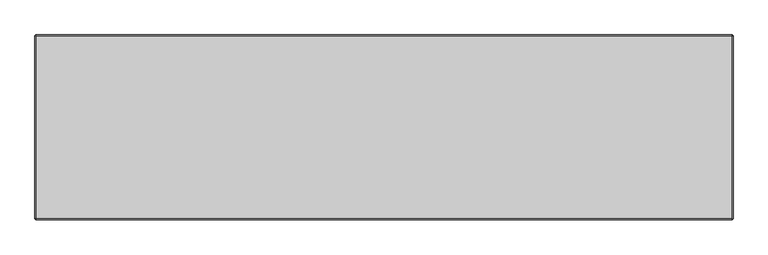
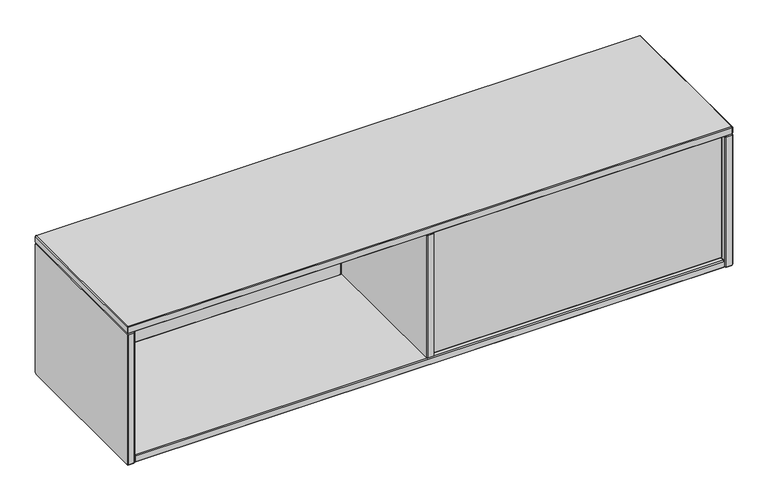
"""IFC4 building model written with IfcOpenShell, lengths in millimetres: furniture geometry."""

from ifc_helpers import new_model, si_unit, origin, place, context, project, spatial, faceted_brep, source, transform, mapped, element, save


def furniture_0f1e853c(model_context):
    return source(origin(), model_context, "Body", "Brep", [
        faceted_brep([(773.429997, -211.044618, 1077.0882749), (775.4620027, -209.0126123, 1077.9299592), (776.3093, -209.0126135, 1077.0826604), (775.4676165, -211.044618, 1075.0506555), (775.4676165, -226.2846087, 1075.0506555), (773.429997, -226.2846087, 1077.0882749), (776.3093008, -228.3166144, 1077.0826612), (775.4620019, -228.3166132, 1077.9299584), (1501.4344233, -209.0126135, 1077.08266), (1502.2761077, -211.044618, 1075.0506555), (1502.2761077, -226.2846087, 1075.0506555), (1501.4344233, -228.3166144, 1077.0826612), (1502.2830011, -209.0126135, 1077.9312373), (1504.315006, -211.044618, 1077.0895538), (1504.315006, -226.2846087, 1077.0895538), (1502.2830003, -228.3166144, 1077.9312381), (1502.2830014, -209.0126135, 1402.6848402), (1504.315006, -211.044618, 1403.5265245), (1504.315006, -226.2846087, 1403.5265245), (1502.2830003, -228.3166144, 1402.6848402), (1501.4357129, -209.0126135, 1403.5321292), (1502.2773964, -211.044618, 1405.5641341), (1502.2773964, -226.2846087, 1405.5641341), (1501.4357121, -228.3166144, 1403.5321284), (776.308012, -209.0126135, 1403.5321295), (775.4663277, -211.044618, 1405.5641341), (775.4663277, -226.2846087, 1405.5641341), (776.308012, -228.3166144, 1403.5321284), (775.4620019, -209.0126135, 1402.6861198), (773.429997, -211.044618, 1403.5278034), (773.429997, -226.2846087, 1403.5278034), (775.4620027, -228.3166144, 1402.686119)], [[[0, 1, 2, 3]], [[0, 3, 4, 5]], [[5, 4, 6, 7]], [[3, 2, 8, 9]], [[4, 3, 9, 10]], [[6, 4, 10, 11]], [[9, 8, 12, 13]], [[10, 9, 13, 14]], [[11, 10, 14, 15]], [[13, 12, 16, 17]], [[14, 13, 17, 18]], [[15, 14, 18, 19]], [[17, 16, 20, 21]], [[18, 17, 21, 22]], [[19, 18, 22, 23]], [[21, 20, 24, 25]], [[22, 21, 25, 26]], [[23, 22, 26, 27]], [[25, 24, 28, 29]], [[26, 25, 29, 30]], [[27, 26, 30, 31]], [[1, 0, 29, 28]], [[0, 5, 30, 29]], [[5, 7, 31, 30]], [[2, 1, 28, 24, 20, 16, 12, 8]], [[7, 6, 11, 15, 19, 23, 27, 31]]]),
        faceted_brep([(19.684994, 148.8452595, 1077.0882749), (21.7169997, 150.8772652, 1077.9299592), (22.5642978, 150.8772652, 1077.0826612), (21.7226135, 148.8452595, 1075.0506555), (21.7226135, 133.6052689, 1075.0506555), (19.684994, 133.6052689, 1077.0882749), (22.5642978, 131.5732632, 1077.0826612), (21.7169981, 131.5732654, 1077.9299576), (751.2454203, 150.8772652, 1077.0826612), (752.0871047, 148.8452595, 1075.0506555), (752.0871047, 133.6052689, 1075.0506555), (751.2454203, 131.5732632, 1077.0826612), (752.0939973, 150.8772652, 1077.9312381), (754.126003, 148.8452595, 1077.0895538), (754.126003, 133.6052689, 1077.0895538), (752.0939973, 131.5732632, 1077.9312381), (752.0939973, 150.8772652, 1402.6848402), (754.126003, 148.8452595, 1403.5265245), (754.126003, 133.6052689, 1403.5265245), (752.0939973, 131.5732632, 1402.6848402), (751.2467091, 150.8772652, 1403.5321284), (752.0883934, 148.8452595, 1405.5641341), (752.0883934, 133.6052689, 1405.5641341), (751.2467091, 131.5732632, 1403.5321284), (22.5630091, 150.8772652, 1403.5321284), (21.7213247, 148.8452595, 1405.5641341), (21.7213247, 133.6052689, 1405.5641341), (22.5630091, 131.5732632, 1403.5321284), (21.7169997, 150.8772652, 1402.686119), (19.684994, 148.8452595, 1403.5278034), (19.684994, 133.6052689, 1403.5278034), (21.7169997, 131.5732632, 1402.686119)], [[[0, 1, 2, 3]], [[0, 3, 4, 5]], [[5, 4, 6, 7]], [[3, 2, 8, 9]], [[4, 3, 9, 10]], [[6, 4, 10, 11]], [[9, 8, 12, 13]], [[10, 9, 13, 14]], [[11, 10, 14, 15]], [[13, 12, 16, 17]], [[14, 13, 17, 18]], [[15, 14, 18, 19]], [[17, 16, 20, 21]], [[18, 17, 21, 22]], [[19, 18, 22, 23]], [[21, 20, 24, 25]], [[22, 21, 25, 26]], [[23, 22, 26, 27]], [[25, 24, 28, 29]], [[26, 25, 29, 30]], [[27, 26, 30, 31]], [[1, 0, 29, 28]], [[0, 5, 30, 29]], [[5, 7, 31, 30]], [[2, 1, 28, 24, 20, 16, 12, 8]], [[7, 6, 11, 15, 19, 23, 27, 31]]]),
        faceted_brep([(0.381, 160.1899826, 1403.5321289), (0.381, 161.0359948, 1402.6861167), (0.381, 161.0359948, 1060.6585981), (0.381, 158.1641576, 1057.7805146), (0.381, -237.6617899, 1057.7773915), (0.381, -238.507861, 1058.6234626), (0.381, -238.5047378, 1402.6861258), (0.381, -237.6587347, 1403.5321289), (19.6849994, 161.035991, 1402.6861129), (19.6849994, 160.1899788, 1403.5321251), (19.6849994, -237.6587347, 1403.5321235), (19.6849994, -238.504734, 1402.686122), (19.6849994, -238.5047325, 1058.6265857), (19.6849994, -237.6649092, 1057.7805184), (19.6849994, 158.1610344, 1057.7773968), (19.6849994, 161.0391141, 1060.6554788), (2.4130052, 163.068, 1403.5278008), (2.4130052, 161.0316667, 1405.5641341), (17.6529888, 161.0316667, 1405.5641341), (17.6529888, 163.068, 1403.5278008), (2.4130052, -238.5004189, 1405.5641341), (17.6529888, -238.5004189, 1405.5641341), (2.4130052, -240.5367431, 1403.5278099), (17.6529888, -240.5367431, 1403.5278099), (2.4130052, -240.5367431, 1057.7786553), (17.6529888, -240.5367431, 1057.7786553), (2.4130052, -238.503474, 1055.7453862), (17.6529888, -238.503474, 1055.7453862), (2.4130052, 159.0027185, 1055.7453862), (17.6529888, 159.0027185, 1055.7453862), (2.4130052, 163.068, 1059.8106677), (17.6529888, 163.068, 1059.8106677)], [[[0, 1, 2, 3, 4, 5, 6, 7]], [[8, 9, 10, 11, 12, 13, 14, 15]], [[16, 1, 0, 17]], [[16, 17, 18, 19]], [[19, 18, 9, 8]], [[17, 0, 7, 20]], [[18, 17, 20, 21]], [[9, 18, 21, 10]], [[20, 7, 6, 22]], [[21, 20, 22, 23]], [[10, 21, 23, 11]], [[22, 6, 5, 24]], [[23, 22, 24, 25]], [[11, 23, 25, 12]], [[24, 5, 4, 26]], [[25, 24, 26, 27]], [[12, 25, 27, 13]], [[26, 4, 3, 28]], [[27, 26, 28, 29]], [[13, 27, 29, 14]], [[28, 3, 2, 30]], [[29, 28, 30, 31]], [[14, 29, 31, 15]], [[1, 16, 30, 2]], [[16, 19, 31, 30]], [[19, 8, 15, 31]]]),
        faceted_brep([(773.4300073, 159.0039823, 1402.6861094), (773.4300073, 158.1579701, 1403.5321216), (773.4300073, -235.5967084, 1403.5321186), (773.4300073, -236.4427043, 1402.6854873), (773.4300073, -236.4420701, 1077.9256086), (773.4300073, -235.5994407, 1077.0829835), (773.4300073, 156.1290292, 1077.0826709), (773.4300073, 159.0039823, 1079.9576283), (754.1253716, 158.157531, 1403.5316824), (754.1253716, 159.0035431, 1402.6856703), (754.1253716, 159.0033582, 1079.957621), (754.1253716, 156.1285828, 1077.0831071), (754.1253716, -235.5991324, 1077.083292), (754.1253716, -236.4413183, 1077.9257395), (754.1253716, -236.441449, 1402.6861258), (754.1253716, -235.5959464, 1403.5313668), (756.1580082, 161.0359948, 1403.5278008), (756.1580082, 158.9996615, 1405.5641341), (771.3979918, 158.9996615, 1405.5641341), (771.3979918, 161.0359948, 1403.5278008), (756.1580082, -236.4377614, 1405.5641341), (771.3979918, -236.4377614, 1405.5641341), (756.1580082, -238.4740856, 1403.5278099), (771.3979918, -238.4740856, 1403.5278099), (756.1580082, -238.4740856, 1077.0839245), (771.3979918, -238.4740856, 1077.0839245), (756.1580082, -236.4408165, 1075.0506555), (771.3979918, -236.4408165, 1075.0506555), (756.1580082, 156.9707133, 1075.0506555), (771.3979918, 156.9707133, 1075.0506555), (756.1580082, 161.0359948, 1079.1159369), (771.3979918, 161.0359948, 1079.1159369)], [[[0, 1, 2, 3, 4, 5, 6, 7]], [[8, 9, 10, 11, 12, 13, 14, 15]], [[16, 9, 8, 17]], [[16, 17, 18, 19]], [[19, 18, 1, 0]], [[17, 8, 15, 20]], [[18, 17, 20, 21]], [[1, 18, 21, 2]], [[20, 15, 14, 22]], [[21, 20, 22, 23]], [[2, 21, 23, 3]], [[22, 14, 13, 24]], [[23, 22, 24, 25]], [[3, 23, 25, 4]], [[24, 13, 12, 26]], [[25, 24, 26, 27]], [[4, 25, 27, 5]], [[26, 12, 11, 28]], [[27, 26, 28, 29]], [[5, 27, 29, 6]], [[28, 11, 10, 30]], [[29, 28, 30, 31]], [[6, 29, 31, 7]], [[9, 16, 30, 10]], [[16, 19, 31, 30]], [[19, 0, 7, 31]]]),
        faceted_brep([(1521.5869948, 163.0679927, 1403.5277978), (1506.3470112, 163.0679927, 1403.5277978), (1506.3470112, 161.0316637, 1405.5641268), (1521.5869948, 161.0316637, 1405.5641268), (1506.3470112, -238.5004158, 1405.5641268), (1521.5869948, -238.5004158, 1405.5641268), (1506.3470112, -240.5367358, 1403.5278069), (1521.5869948, -240.5367358, 1403.5278069), (1506.3470112, -240.5367358, 1057.7730446), (1521.5869948, -240.5367358, 1057.7730446), (1506.3470112, -238.503471, 1055.7397798), (1521.5869948, -238.503471, 1055.7397798), (1506.3470112, 159.0027155, 1055.7397798), (1521.5869948, 159.0027155, 1055.7397798), (1506.3470112, 163.0679927, 1059.805057), (1521.5869948, 163.0679927, 1059.805057), (1523.619, 160.1899796, 1403.5321216), (1523.619, 161.0359875, 1402.6861137), (1504.315006, 161.0359875, 1402.6861137), (1504.3150097, 160.1899822, 1403.5321242), (1523.619, -237.6587317, 1403.5321216), (1504.3150097, -237.6587317, 1403.5321253), (1523.619, -238.5047305, 1402.6861227), (1504.3150097, -238.5047332, 1402.6861254), (1523.619, -238.5047305, 1058.6147287), (1504.3150097, -238.5047343, 1058.6147287), (1523.619, -237.6617868, 1057.771785), (1504.3150097, -237.6617895, 1057.7717824), (1523.619, 158.1610314, 1057.771785), (1504.3150097, 158.1610314, 1057.7717813), (1523.619, 161.0359875, 1060.6467411), (1504.3150097, 161.0359901, 1060.6467385)], [[[0, 1, 2, 3]], [[3, 2, 4, 5]], [[5, 4, 6, 7]], [[7, 6, 8, 9]], [[9, 8, 10, 11]], [[11, 10, 12, 13]], [[13, 12, 14, 15]], [[1, 0, 15, 14]], [[0, 3, 16, 17]], [[2, 1, 18, 19]], [[3, 5, 20, 16]], [[4, 2, 19, 21]], [[5, 7, 22, 20]], [[6, 4, 21, 23]], [[7, 9, 24, 22]], [[8, 6, 23, 25]], [[9, 11, 26, 24]], [[10, 8, 25, 27]], [[11, 13, 28, 26]], [[12, 10, 27, 29]], [[13, 15, 30, 28]], [[14, 12, 29, 31]], [[15, 0, 17, 30]], [[1, 14, 31, 18]], [[19, 18, 31, 29, 27, 25, 23, 21]], [[17, 16, 20, 22, 24, 26, 28, 30]]]),
        faceted_brep([(2.4142691, 160.1937872, 1405.5641341), (0.381, 161.0359948, 1407.5974031), (2.4130052, 163.068, 1407.5974031), (3.2552128, 161.0347309, 1405.5641341), (0.381, 161.0359948, 1422.8305205), (2.4142691, 160.1937872, 1424.8637895), (3.2552128, 161.0347309, 1424.8637895), (2.4130052, 163.068, 1422.8305205), (1521.5869875, 163.068, 1407.5974031), (1520.7447799, 161.0347309, 1405.5641341), (1520.7447799, 161.0347309, 1424.8637895), (1521.5869875, 163.068, 1422.8305205), (1523.619, 161.0359875, 1407.5974031), (1521.5857309, 160.1937799, 1405.5641341), (1521.5857309, 160.1937799, 1424.8637895), (1523.619, 161.0359875, 1422.8305205), (1523.619, -238.5047363, 1407.5974031), (1521.5857309, -237.6625286, 1405.5641341), (1521.5857309, -237.6625286, 1424.8637895), (1523.619, -238.5047363, 1422.8305205), (1521.5869932, -240.5367431, 1407.5974031), (1520.7447856, -238.503474, 1405.5641341), (1520.7447856, -238.503474, 1424.8637895), (1521.5869932, -240.5367431, 1422.8305205), (2.413, -240.5367431, 1407.5974031), (3.2552076, -238.503474, 1405.5641341), (3.2552076, -238.503474, 1424.8637895), (2.413, -240.5367431, 1422.8305205), (0.381, -238.5047431, 1407.5974031), (2.4142691, -237.6625355, 1405.5641341), (2.4142691, -237.6625355, 1424.8637895), (0.381, -238.5047431, 1422.8305205)], [[[0, 1, 2, 3]], [[4, 5, 6, 7]], [[2, 1, 4, 7]], [[3, 2, 8, 9]], [[7, 6, 10, 11]], [[2, 7, 11, 8]], [[9, 8, 12, 13]], [[11, 10, 14, 15]], [[8, 11, 15, 12]], [[13, 12, 16, 17]], [[15, 14, 18, 19]], [[12, 15, 19, 16]], [[17, 16, 20, 21]], [[19, 18, 22, 23]], [[16, 19, 23, 20]], [[21, 20, 24, 25]], [[23, 22, 26, 27]], [[20, 23, 27, 24]], [[25, 24, 28, 29]], [[27, 26, 30, 31]], [[24, 27, 31, 28]], [[1, 0, 29, 28]], [[5, 4, 31, 30]], [[4, 1, 28, 31]], [[6, 5, 30, 26, 22, 18, 14, 10]], [[0, 3, 9, 13, 17, 21, 25, 29]]]),
        faceted_brep([(21.7182631, 160.1937872, 1055.751), (19.684994, 161.0359948, 1057.7842691), (21.7169992, 163.068, 1057.7842691), (22.5592069, 161.0347309, 1055.751), (19.684994, 161.0359948, 1073.0173864), (21.7182631, 160.1937872, 1075.0506555), (22.5631764, 161.0307614, 1075.0562692), (21.7169992, 163.068, 1073.0173864), (1502.2829972, 163.068, 1057.7842691), (1501.4407896, 161.0347309, 1055.751), (1501.4407896, 161.0291172, 1075.0562692), (1502.2829972, 163.068, 1073.0173864), (1504.3150097, 161.0359875, 1057.7842691), (1502.2817406, 160.1937799, 1055.751), (1502.2777711, 160.1898103, 1075.0562692), (1504.3150097, 161.0359875, 1073.0173864), (1504.3150097, -236.4420788, 1057.7842691), (1502.2817406, -235.5998711, 1055.751), (1502.2761269, -235.5998711, 1075.0562692), (1504.3150097, -236.4420788, 1073.0173864), (1502.2830029, -238.4740856, 1057.7842691), (1501.4407953, -236.4408165, 1055.751), (1501.4368258, -236.436847, 1075.0562692), (1502.2830029, -238.4740856, 1073.0173864), (21.716994, -238.4740856, 1057.7842691), (22.5592016, -236.4408165, 1055.751), (22.5592016, -236.4352027, 1075.0562692), (21.716994, -238.4740856, 1073.0173864), (19.684994, -236.4420856, 1057.7842691), (21.7182631, -235.599878, 1055.751), (21.7222326, -235.5959084, 1075.0562692), (19.684994, -236.4420856, 1073.0173864)], [[[0, 1, 2, 3]], [[4, 5, 6, 7]], [[2, 1, 4, 7]], [[3, 2, 8, 9]], [[7, 6, 10, 11]], [[2, 7, 11, 8]], [[9, 8, 12, 13]], [[11, 10, 14, 15]], [[8, 11, 15, 12]], [[13, 12, 16, 17]], [[15, 14, 18, 19]], [[12, 15, 19, 16]], [[17, 16, 20, 21]], [[19, 18, 22, 23]], [[16, 19, 23, 20]], [[21, 20, 24, 25]], [[23, 22, 26, 27]], [[20, 23, 27, 24]], [[25, 24, 28, 29]], [[27, 26, 30, 31]], [[24, 27, 31, 28]], [[1, 0, 29, 28]], [[5, 4, 31, 30]], [[4, 1, 28, 31]], [[6, 5, 30, 26, 22, 18, 14, 10]], [[0, 3, 9, 13, 17, 21, 25, 29]]]),
    ])


if __name__ == "__main__":
    model = new_model("IFC4")
    model_context = context("Model", 3, world=origin())
    ifc_project = project(units=[si_unit("LENGTHUNIT", "METRE", prefix="MILLI")], contexts=[model_context])
    site = spatial("IfcSite", under=ifc_project)
    building = spatial("IfcBuilding", under=site)
    placement = place(None, origin())
    furniture_shape = furniture_0f1e853c(model_context)
    element("IfcFurniture", 1, at=placement, inside=building, context=model_context, shape_type="MappedRepresentation", body=[
        mapped(furniture_shape, transform((0.0, 0.0, 0.0), x_axis=(1.0, 0.0, 0.0), y_axis=(0.0, 1.0, 0.0), z_axis=(0.0, 0.0, 1.0))),
    ])
    save(model, "model.ifc")
